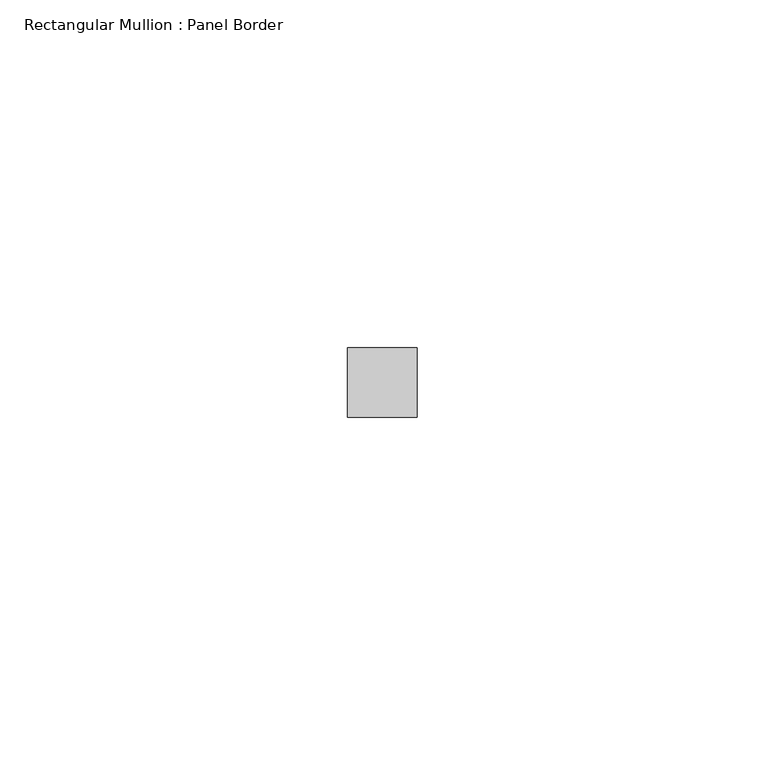
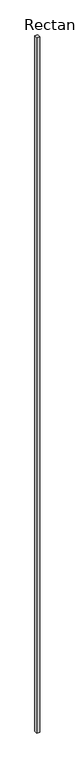
"""IFC4 building model written with IfcOpenShell, lengths in millimetres: member geometry, Rectangular Mullion : Panel Border."""

from ifc_helpers import new_model, si_unit, frame, origin, place, context, project, spatial, polyline, outline, extrude, source, transform, mapped, element, save


def rectangular_mullion_panel_border_daf5a890(model_context):
    return source(origin(), model_context, "Body", "SweptSolid", [
        extrude(outline(polyline([(5.0, 5.5), (5.0, -4.5), (-5.0, -4.5), (-5.0, 5.5), (5.0, 5.5)])), frame((0.0, 0.0, -2390.0), z_axis=(0.0, 0.0, 1.0), x_axis=(1.0, 0.0, 0.0)), (0.0, 0.0, 1.0), 2390.0),
    ])


if __name__ == "__main__":
    model = new_model("IFC4")
    model_context = context("Model", 3, world=origin())
    ifc_project = project(units=[si_unit("LENGTHUNIT", "METRE", prefix="MILLI")], contexts=[model_context])
    site = spatial("IfcSite", under=ifc_project)
    building = spatial("IfcBuilding", under=site)
    placement = place(None, origin())
    rectangular_mullion_panel_border_shape = rectangular_mullion_panel_border_daf5a890(model_context)
    element("IfcMember", 1, ObjectType="Rectangular Mullion : Panel Border", at=placement, inside=building, context=model_context, shape_type="MappedRepresentation", body=[
        mapped(rectangular_mullion_panel_border_shape, transform((0.0, 0.0, 0.0), x_axis=(1.0, 0.0, 0.0), y_axis=(0.0, 1.0, 0.0), z_axis=(0.0, 0.0, 1.0))),
    ])
    save(model, "model.ifc")
